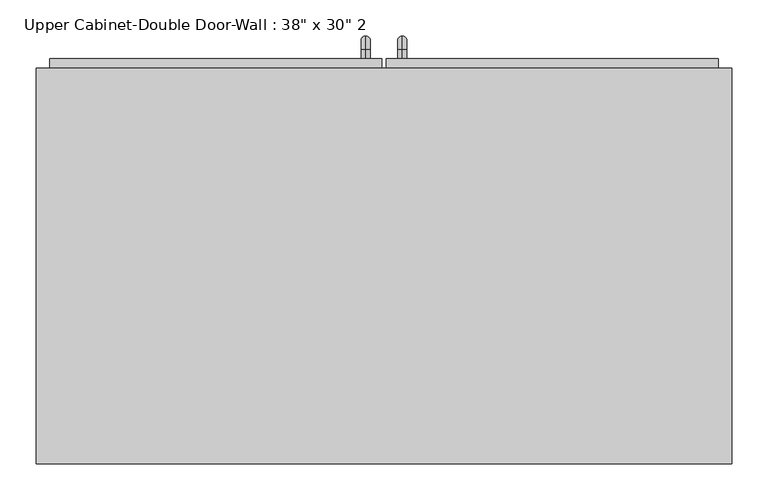
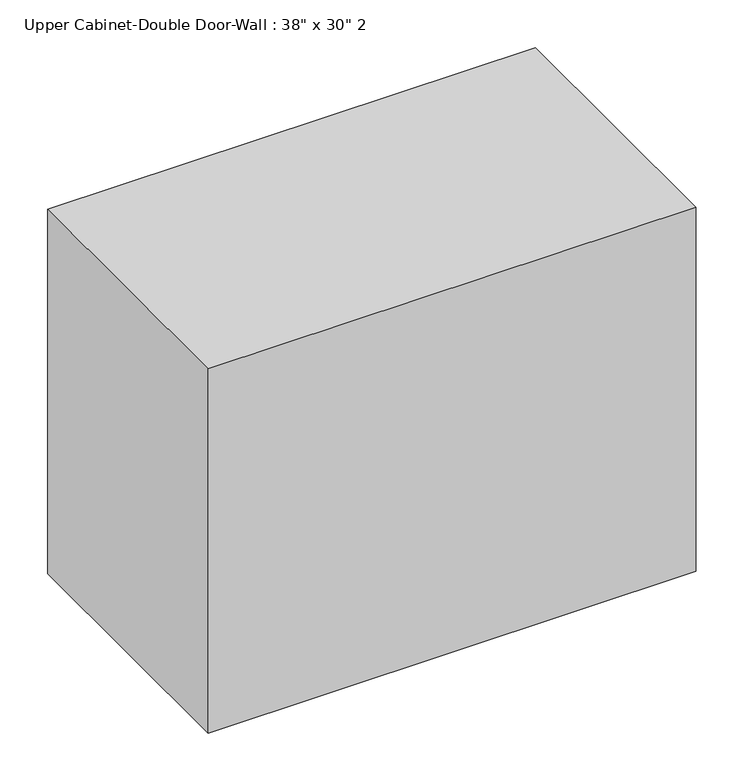
"""IFC4 building model written with IfcOpenShell, lengths in millimetres: furniture geometry."""

from ifc_helpers import new_model, si_unit, point, frame, origin, place, context, project, spatial, polyline, circle_curve, ellipse_curve, trimmed, outline, extrude, faceted_brep, source, transform, mapped, element, save
from ifc_brep_helpers import plane_surface, cylinder_surface, revolved_surface, advanced_brep


def furniture_5bbaaf22(model_context):
    return source(origin(), model_context, "Body", "SolidModel", [
        faceted_brep([(-452.8288372, 61.9125, 2133.6), (-452.8288372, 61.9125, 1371.6), (512.3711628, 61.9125, 1371.6), (512.3711628, 61.9125, 2133.6), (-452.8288372, 611.1875, 2133.6), (512.3711628, 611.1875, 2133.6), (512.3711628, 611.1875, 1371.6), (-452.8288372, 611.1875, 1371.6), (-433.7788372, 611.1875, 2114.55), (-433.7788372, 611.1875, 1390.65), (493.3211628, 611.1875, 1390.65), (493.3211628, 611.1875, 2114.55), (493.3211628, 80.9625, 2114.55), (-433.7788372, 80.9625, 2114.55), (493.3211628, 80.9625, 1390.65), (-433.7788372, 80.9625, 1390.65)], [[[0, 1, 2, 3]], [[4, 5, 6, 7], [8, 9, 10, 11]], [[1, 0, 4, 7]], [[2, 1, 7, 6]], [[3, 2, 6, 5]], [[0, 3, 5, 4]], [[8, 11, 12, 13]], [[11, 10, 14, 12]], [[10, 9, 15, 14]], [[9, 8, 13, 15]], [[13, 12, 14, 15]]]),
        advanced_brep(
        [(55.1711628, 623.8875, 1517.65), (55.1711628, 623.8875, 1530.35), (55.1711628, 636.5875, 1517.65), (55.1711628, 636.5875, 1530.35), (55.1711628, 655.6375, 1511.3), (55.1711628, 642.9375, 1511.3), (55.1711628, 642.9375, 1435.1), (55.1711628, 655.6375, 1435.1), (55.1711628, 636.5875, 1416.05), (55.1711628, 636.5875, 1428.75), (55.1711628, 623.8875, 1428.75), (55.1711628, 623.8875, 1416.05)],
        [
            (0, 1, circle_curve(frame((55.1711628, 623.8875, 1524.0), z_axis=(0.0, -1.0, 0.0), x_axis=(0.0, 0.0, -1.0)), 6.35)),
            (1, 0, circle_curve(frame((55.1711628, 623.8875, 1524.0), z_axis=(0.0, -1.0, 0.0), x_axis=(0.0, 0.0, -1.0)), 6.35)),
            (0, 2),
            (2, 3, circle_curve(frame((55.1711628, 636.5875, 1524.0), z_axis=(0.0, -1.0, 0.0), x_axis=(0.0, 0.0, -1.0)), 6.35)),
            (3, 1),
            (3, 2, circle_curve(frame((55.1711628, 636.5875, 1524.0), z_axis=(0.0, -1.0, 0.0), x_axis=(0.0, 0.0, -1.0)), 6.35)),
            (4, 3, circle_curve(frame((55.1711628, 636.5875, 1511.3), z_axis=(1.0, 0.0, 0.0), x_axis=(0.0, 0.0, 1.0)), 19.05)),
            (2, 5, circle_curve(frame((55.1711628, 636.5875, 1511.3), z_axis=(-1.0, 0.0, 0.0), x_axis=(0.0, 0.0, 1.0)), 6.35)),
            (5, 4, circle_curve(frame((55.1711628, 649.2875, 1511.3), z_axis=(0.0, 0.0, 1.0), x_axis=(0.0, -1.0, 0.0)), 6.35)),
            (4, 5, circle_curve(frame((55.1711628, 649.2875, 1511.3), z_axis=(0.0, 0.0, 1.0), x_axis=(0.0, -1.0, 0.0)), 6.35)),
            (5, 6),
            (6, 7, circle_curve(frame((55.1711628, 649.2875, 1435.1), z_axis=(0.0, 0.0, 1.0), x_axis=(0.0, -1.0, 0.0)), 6.35)),
            (7, 4),
            (7, 6, circle_curve(frame((55.1711628, 649.2875, 1435.1), z_axis=(0.0, 0.0, 1.0), x_axis=(0.0, -1.0, 0.0)), 6.35)),
            (8, 7, circle_curve(frame((55.1711628, 636.5875, 1435.1), z_axis=(1.0, 0.0, 0.0), x_axis=(0.0, 1.0, 0.0)), 19.05)),
            (6, 9, circle_curve(frame((55.1711628, 636.5875, 1435.1), z_axis=(-1.0, 0.0, 0.0), x_axis=(0.0, 1.0, 0.0)), 6.35)),
            (9, 8, circle_curve(frame((55.1711628, 636.5875, 1422.4), z_axis=(0.0, 1.0, 0.0), x_axis=(0.0, 0.0, 1.0)), 6.35)),
            (8, 9, circle_curve(frame((55.1711628, 636.5875, 1422.4), z_axis=(0.0, 1.0, 0.0), x_axis=(0.0, 0.0, 1.0)), 6.35)),
            (10, 11, circle_curve(frame((55.1711628, 623.8875, 1422.4), z_axis=(0.0, -1.0, 0.0), x_axis=(0.0, 0.0, 1.0)), 6.35)),
            (11, 10, circle_curve(frame((55.1711628, 623.8875, 1422.4), z_axis=(0.0, -1.0, 0.0), x_axis=(0.0, 0.0, 1.0)), 6.35)),
            (9, 10),
            (11, 8),
        ],
        [
            plane_surface(frame((48.8211628, 623.8875, 1524.0), z_axis=(0.0, -1.0, 0.0), x_axis=(0.0, 0.0, 1.0))),
            cylinder_surface(frame((55.1711628, 623.8875, 1524.0), z_axis=(0.0, -1.0, 0.0), x_axis=(0.0, 0.0, -1.0)), 6.35),
            revolved_surface(trimmed(ellipse_curve(frame((55.1711628, 636.5875, 1524.0), z_axis=(0.0, -1.0, 0.0), x_axis=(0.0, 0.0, -1.0)), 6.35, 6.35), [point((55.1711628, 636.5875, 1517.65))], [point((55.1711628, 636.5875, 1530.35))], True, "CARTESIAN"), (55.1711628, 636.5875, 1511.3), (-1.0, 0.0, 0.0)),
            revolved_surface(trimmed(ellipse_curve(frame((55.1711628, 636.5875, 1524.0), z_axis=(0.0, -1.0, 0.0), x_axis=(0.0, 0.0, -1.0)), 6.35, 6.35), [point((55.1711628, 636.5875, 1530.35))], [point((55.1711628, 636.5875, 1517.65))], True, "CARTESIAN"), (55.1711628, 636.5875, 1511.3), (-1.0, 0.0, 0.0)),
            cylinder_surface(frame((55.1711628, 649.2875, 1511.3), z_axis=(0.0, 0.0, 1.0), x_axis=(0.0, -1.0, 0.0)), 6.35),
            revolved_surface(trimmed(ellipse_curve(frame((55.1711628, 649.2875, 1435.1), z_axis=(0.0, 0.0, 1.0), x_axis=(0.0, -1.0, 0.0)), 6.35, 6.35), [point((55.1711628, 642.9375, 1435.1))], [point((55.1711628, 655.6375, 1435.1))], True, "CARTESIAN"), (55.1711628, 636.5875, 1435.1), (-1.0, 0.0, 0.0)),
            revolved_surface(trimmed(ellipse_curve(frame((55.1711628, 649.2875, 1435.1), z_axis=(0.0, 0.0, 1.0), x_axis=(0.0, -1.0, 0.0)), 6.35, 6.35), [point((55.1711628, 655.6375, 1435.1))], [point((55.1711628, 642.9375, 1435.1))], True, "CARTESIAN"), (55.1711628, 636.5875, 1435.1), (-1.0, 0.0, 0.0)),
            plane_surface(frame((48.8211628, 623.8875, 1422.4), z_axis=(0.0, -1.0, 0.0), x_axis=(0.0, 0.0, -1.0))),
            cylinder_surface(frame((55.1711628, 636.5875, 1422.4), z_axis=(0.0, 1.0, 0.0), x_axis=(0.0, 0.0, 1.0)), 6.35),
        ],
        [
            (0, [[1, 2]]),
            (1, [[-1, 3, 4, 5]]),
            (1, [[-2, -5, 6, -3]]),
            (2, [[7, -4, 8, 9]]),
            (3, [[-8, -6, -7, 10]]),
            (4, [[-9, 11, 12, 13]]),
            (4, [[-10, -13, 14, -11]]),
            (5, [[15, -12, 16, 17]]),
            (6, [[-16, -14, -15, 18]]),
            (7, [[19, 20]]),
            (8, [[-17, 21, -20, 22]]),
            (8, [[-18, -22, -19, -21]]),
        ],
    ),
        advanced_brep(
        [(4.3711628, 623.8875, 1517.65), (4.3711628, 623.8875, 1530.35), (4.3711628, 636.5875, 1517.65), (4.3711628, 636.5875, 1530.35), (4.3711628, 655.6375, 1511.3), (4.3711628, 642.9375, 1511.3), (4.3711628, 642.9375, 1435.1), (4.3711628, 655.6375, 1435.1), (4.3711628, 636.5875, 1416.05), (4.3711628, 636.5875, 1428.75), (4.3711628, 623.8875, 1428.75), (4.3711628, 623.8875, 1416.05)],
        [
            (0, 1, circle_curve(frame((4.3711628, 623.8875, 1524.0), z_axis=(0.0, -1.0, 0.0), x_axis=(0.0, 0.0, 1.0)), 6.35)),
            (1, 0, circle_curve(frame((4.3711628, 623.8875, 1524.0), z_axis=(0.0, -1.0, 0.0), x_axis=(0.0, 0.0, 1.0)), 6.35)),
            (0, 2),
            (2, 3, circle_curve(frame((4.3711628, 636.5875, 1524.0), z_axis=(0.0, -1.0, 0.0), x_axis=(0.0, 0.0, 1.0)), 6.35)),
            (3, 1),
            (3, 2, circle_curve(frame((4.3711628, 636.5875, 1524.0), z_axis=(0.0, -1.0, 0.0), x_axis=(0.0, 0.0, 1.0)), 6.35)),
            (4, 3, circle_curve(frame((4.3711628, 636.5875, 1511.3), z_axis=(1.0, 0.0, 0.0), x_axis=(0.0, 0.0, 1.0)), 19.05)),
            (2, 5, circle_curve(frame((4.3711628, 636.5875, 1511.3), z_axis=(-1.0, 0.0, 0.0), x_axis=(0.0, 0.0, 1.0)), 6.35)),
            (5, 4, circle_curve(frame((4.3711628, 649.2875, 1511.3), z_axis=(0.0, 0.0, 1.0), x_axis=(0.0, 1.0, 0.0)), 6.35)),
            (4, 5, circle_curve(frame((4.3711628, 649.2875, 1511.3), z_axis=(0.0, 0.0, 1.0), x_axis=(0.0, 1.0, 0.0)), 6.35)),
            (5, 6),
            (6, 7, circle_curve(frame((4.3711628, 649.2875, 1435.1), z_axis=(0.0, 0.0, 1.0), x_axis=(0.0, 1.0, 0.0)), 6.35)),
            (7, 4),
            (7, 6, circle_curve(frame((4.3711628, 649.2875, 1435.1), z_axis=(0.0, 0.0, 1.0), x_axis=(0.0, 1.0, 0.0)), 6.35)),
            (8, 7, circle_curve(frame((4.3711628, 636.5875, 1435.1), z_axis=(1.0, 0.0, 0.0), x_axis=(0.0, 1.0, 0.0)), 19.05)),
            (6, 9, circle_curve(frame((4.3711628, 636.5875, 1435.1), z_axis=(-1.0, 0.0, 0.0), x_axis=(0.0, 1.0, 0.0)), 6.35)),
            (9, 8, circle_curve(frame((4.3711628, 636.5875, 1422.4), z_axis=(0.0, 1.0, 0.0), x_axis=(0.0, 0.0, -1.0)), 6.35)),
            (8, 9, circle_curve(frame((4.3711628, 636.5875, 1422.4), z_axis=(0.0, 1.0, 0.0), x_axis=(0.0, 0.0, -1.0)), 6.35)),
            (10, 11, circle_curve(frame((4.3711628, 623.8875, 1422.4), z_axis=(0.0, -1.0, 0.0), x_axis=(0.0, 0.0, -1.0)), 6.35)),
            (11, 10, circle_curve(frame((4.3711628, 623.8875, 1422.4), z_axis=(0.0, -1.0, 0.0), x_axis=(0.0, 0.0, -1.0)), 6.35)),
            (9, 10),
            (11, 8),
        ],
        [
            plane_surface(frame((-1.9788372, 623.8875, 1524.0), z_axis=(0.0, -1.0, 0.0), x_axis=(0.0, 0.0, 1.0))),
            cylinder_surface(frame((4.3711628, 623.8875, 1524.0), z_axis=(0.0, -1.0, 0.0), x_axis=(0.0, 0.0, 1.0)), 6.35),
            revolved_surface(trimmed(ellipse_curve(frame((4.3711628, 636.5875, 1524.0), z_axis=(0.0, -1.0, 0.0), x_axis=(0.0, 0.0, 1.0)), 6.35, 6.35), [point((4.3711628, 636.5875, 1517.65))], [point((4.3711628, 636.5875, 1530.35))], True, "CARTESIAN"), (4.3711628, 636.5875, 1511.3), (-1.0, 0.0, 0.0)),
            revolved_surface(trimmed(ellipse_curve(frame((4.3711628, 636.5875, 1524.0), z_axis=(0.0, -1.0, 0.0), x_axis=(0.0, 0.0, 1.0)), 6.35, 6.35), [point((4.3711628, 636.5875, 1530.35))], [point((4.3711628, 636.5875, 1517.65))], True, "CARTESIAN"), (4.3711628, 636.5875, 1511.3), (-1.0, 0.0, 0.0)),
            cylinder_surface(frame((4.3711628, 649.2875, 1511.3), z_axis=(0.0, 0.0, 1.0), x_axis=(0.0, 1.0, 0.0)), 6.35),
            revolved_surface(trimmed(ellipse_curve(frame((4.3711628, 649.2875, 1435.1), z_axis=(0.0, 0.0, 1.0), x_axis=(0.0, 1.0, 0.0)), 6.35, 6.35), [point((4.3711628, 642.9375, 1435.1))], [point((4.3711628, 655.6375, 1435.1))], True, "CARTESIAN"), (4.3711628, 636.5875, 1435.1), (-1.0, 0.0, 0.0)),
            revolved_surface(trimmed(ellipse_curve(frame((4.3711628, 649.2875, 1435.1), z_axis=(0.0, 0.0, 1.0), x_axis=(0.0, 1.0, 0.0)), 6.35, 6.35), [point((4.3711628, 655.6375, 1435.1))], [point((4.3711628, 642.9375, 1435.1))], True, "CARTESIAN"), (4.3711628, 636.5875, 1435.1), (-1.0, 0.0, 0.0)),
            plane_surface(frame((-1.9788372, 623.8875, 1422.4), z_axis=(0.0, -1.0, 0.0), x_axis=(0.0, 0.0, -1.0))),
            cylinder_surface(frame((4.3711628, 636.5875, 1422.4), z_axis=(0.0, 1.0, 0.0), x_axis=(0.0, 0.0, -1.0)), 6.35),
        ],
        [
            (0, [[1, 2]]),
            (1, [[-1, 3, 4, 5]]),
            (1, [[-2, -5, 6, -3]]),
            (2, [[7, -4, 8, 9]]),
            (3, [[-8, -6, -7, 10]]),
            (4, [[-9, 11, 12, 13]]),
            (4, [[-10, -13, 14, -11]]),
            (5, [[15, -12, 16, 17]]),
            (6, [[-16, -14, -15, 18]]),
            (7, [[19, 20]]),
            (8, [[-17, 21, -20, 22]]),
            (8, [[-18, -22, -19, -21]]),
        ],
    ),
        extrude(outline(polyline([(32.9461628, 623.8875), (493.3211628, 623.8875), (493.3211628, 592.1375), (32.9461628, 592.1375), (32.9461628, 623.8875)])), frame((0.0, 0.0, 1390.65), z_axis=(0.0, 0.0, 1.0), x_axis=(1.0, 0.0, 0.0)), (0.0, 0.0, 1.0), 723.9),
        extrude(outline(polyline([(-433.7788372, 623.8875), (26.5961628, 623.8875), (26.5961628, 592.1375), (-433.7788372, 592.1375), (-433.7788372, 623.8875)])), frame((0.0, 0.0, 1390.65), z_axis=(0.0, 0.0, 1.0), x_axis=(1.0, 0.0, 0.0)), (0.0, 0.0, 1.0), 723.9),
    ])


if __name__ == "__main__":
    model = new_model("IFC4")
    model_context = context("Model", 3, world=origin())
    ifc_project = project(units=[si_unit("LENGTHUNIT", "METRE", prefix="MILLI")], contexts=[model_context])
    site = spatial("IfcSite", under=ifc_project)
    building = spatial("IfcBuilding", under=site)
    placement = place(None, origin())
    furniture_shape = furniture_5bbaaf22(model_context)
    element("IfcFurniture", 1, ObjectType="Upper Cabinet-Double Door-Wall : 38\" x 30\" 2", at=placement, inside=building, context=model_context, shape_type="MappedRepresentation", body=[
        mapped(furniture_shape, transform((0.0, 0.0, 0.0), x_axis=(1.0, 0.0, 0.0), y_axis=(0.0, 1.0, 0.0), z_axis=(0.0, 0.0, 1.0))),
    ])
    save(model, "model.ifc")
